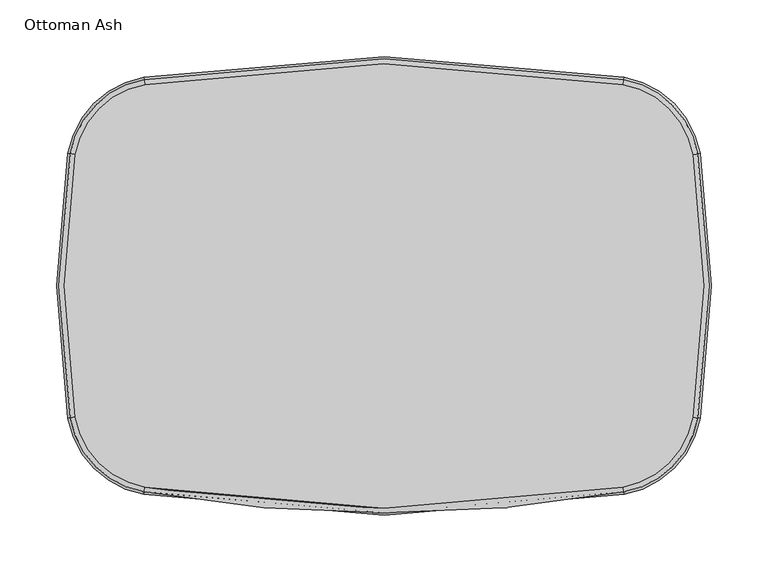
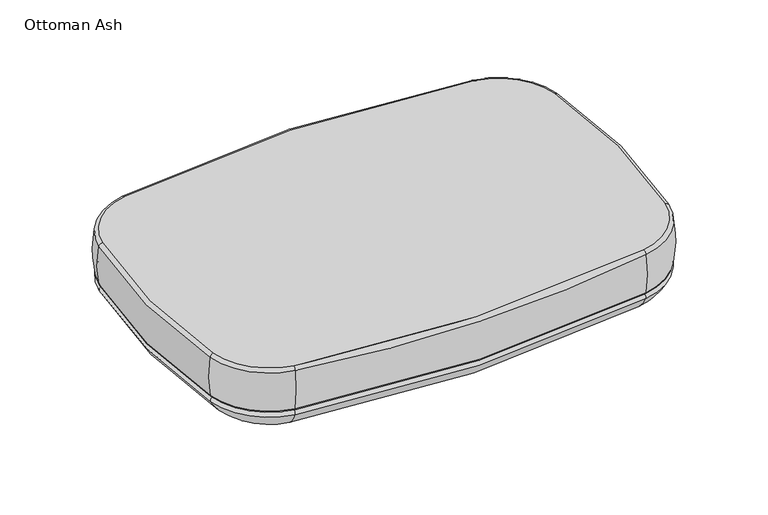
"""IFC4 building model written with IfcOpenShell, lengths in millimetres: furniture geometry, Ottoman Ash."""

from ifc_helpers import new_model, si_unit, point, frame, origin, place, context, project, spatial, circle_curve, ellipse_curve, trimmed, source, transform, mapped, element, save
from ifc_brep_helpers import plane_surface, revolved_surface, advanced_brep


def ottoman_ash_f78664d0(model_context):
    return source(origin(), model_context, "Body", "AdvancedBrep", [
        advanced_brep(
        [(276.9123996, 116.7540912, 269.8669249), (212.1619217, 181.6461387, 269.8669249), (211.6183203, 178.5541399, 274.6668665), (273.819221, 116.217244, 274.6668665), (251.1906192, 112.2898597, 243.276352), (207.6415246, 155.9341695, 243.276352), (273.819221, -116.217244, 274.6668665), (276.9123996, -116.7540912, 269.8669249), (251.1906192, -112.2898597, 243.276352), (211.6183203, -178.5541399, 274.6668665), (212.1619217, -181.6461387, 269.8669249), (207.6415246, -155.9341695, 243.276352), (-211.6183203, -178.5541399, 274.6668665), (-212.1619217, -181.6461387, 269.8669249), (-207.6415246, -155.9341695, 243.276352), (-273.819221, -116.217244, 274.6668665), (-276.9123996, -116.7540912, 269.8669249), (-251.1906192, -112.2898597, 243.276352), (-273.819221, 116.217244, 274.6668665), (-276.9123996, 116.7540912, 269.8669249), (-251.1906192, 112.2898597, 243.276352), (-211.6183203, 178.5541399, 274.6668665), (-212.1619217, 181.6461387, 269.8669249), (-207.6415246, 155.9341695, 243.276352), (-249.6107812, -112.0156655, 242.9255791), (-249.6107812, 112.0156655, 242.9255791), (-207.3638807, 154.3549341, 242.9255791), (207.3638807, 154.3549341, 242.9255791), (249.6107812, 112.0156655, 242.9255791), (249.6107812, -112.0156655, 242.9255791), (207.3638807, -154.3549341, 242.9255791), (-207.3638807, -154.3549341, 242.9255791)],
        [
            (0, 1, circle_curve(frame((198.356319, 103.1200222, 269.8669249), z_axis=(0.0, 0.0, 1.0), x_axis=(0.1731534397070965, 0.9848948605397435, 0.0)), 79.7304561)),
            (1, 2, circle_curve(frame((211.6183203, 178.5541399, 271.2402208), z_axis=(0.9848948605397436, -0.1731534397070956, 0.0), x_axis=(-0.1731534397070956, -0.9848948605397436, 0.0)), 3.4266457)),
            (2, 3, circle_curve(frame((198.356319, 103.1200222, 274.6668665), z_axis=(0.0, 0.0, -1.0), x_axis=(0.1731534397070965, 0.9848948605397435, 0.0)), 76.591036)),
            (3, 0, circle_curve(frame((273.819221, 116.217244, 271.2402208), z_axis=(-0.17100201922468425, 0.9852706782509467, 0.0), x_axis=(-0.9852706782509467, -0.17100201922468425, 0.0)), 3.4266457)),
            (0, 4, circle_curve(frame((229.652303, 108.5517037, 290.8492568), z_axis=(-0.17100201922468425, 0.9852706782509467, 0.0), x_axis=(-0.9852706782509467, -0.17100201922468425, 0.0)), 52.3550775)),
            (4, 5, circle_curve(frame((198.356319, 103.1200222, 243.276352), z_axis=(0.0, 0.0, 1.0), x_axis=(0.1731534397070965, 0.9848948605397435, 0.0)), 53.6241475)),
            (5, 1, circle_curve(frame((203.8563378, 134.4040688, 290.8492568), z_axis=(0.9848948605397436, -0.1731534397070956, 0.0), x_axis=(-0.1731534397070956, -0.9848948605397436, 0.0)), 52.3550775)),
            (3, 6, circle_curve(frame((-395.7953447, 0.0, 274.6668665), z_axis=(0.0, 0.0, -1.0), x_axis=(0.985270678250947, 0.17100201922468278, 0.0)), 679.6249808)),
            (6, 7, circle_curve(frame((273.819221, -116.217244, 271.2402208), z_axis=(0.1710020192246772, 0.9852706782509479, 0.0), x_axis=(-0.9852706782509479, 0.1710020192246772, 0.0)), 3.4266457)),
            (7, 0, circle_curve(frame((-395.7953447, 0.0, 269.8669249), z_axis=(0.0, 0.0, 1.0), x_axis=(0.985270678250947, 0.17100201922468278, 0.0)), 682.7644009)),
            (7, 8, circle_curve(frame((229.652303, -108.5517037, 290.8492568), z_axis=(0.171002019224677, 0.985270678250948, 0.0), x_axis=(-0.985270678250948, 0.171002019224677, 0.0)), 52.3550775)),
            (8, 4, circle_curve(frame((-395.7953447, 0.0, 243.276352), z_axis=(0.0, 0.0, 1.0), x_axis=(0.985270678250947, 0.17100201922468278, 0.0)), 656.6580923)),
            (6, 9, circle_curve(frame((198.356319, -103.1200222, 274.6668665), z_axis=(0.0, 0.0, -1.0), x_axis=(0.985270678250956, -0.171002019224631, 0.0)), 76.591036)),
            (9, 10, circle_curve(frame((211.6183203, -178.5541399, 271.2402208), z_axis=(0.9848948605397272, 0.17315343970718952, 0.0), x_axis=(-0.17315343970718952, 0.9848948605397272, 0.0)), 3.4266457)),
            (10, 7, circle_curve(frame((198.356319, -103.1200222, 269.8669249), z_axis=(0.0, 0.0, 1.0), x_axis=(0.985270678250956, -0.171002019224631, 0.0)), 79.7304561)),
            (10, 11, circle_curve(frame((203.8563378, -134.4040688, 290.8492568), z_axis=(0.9848948605397272, 0.1731534397071897, 0.0), x_axis=(-0.1731534397071897, 0.9848948605397272, 0.0)), 52.3550775)),
            (11, 8, circle_curve(frame((198.356319, -103.1200222, 243.276352), z_axis=(0.0, 0.0, 1.0), x_axis=(0.985270678250956, -0.171002019224631, 0.0)), 53.6241475)),
            (9, 12, circle_curve(frame((0.0, 1025.1285386, 274.6668665), z_axis=(0.0, 0.0, -1.0), x_axis=(0.1731534397071965, -0.984894860539726, 0.0)), 1222.1433238)),
            (12, 13, circle_curve(frame((-211.6183203, -178.5541399, 271.2402208), z_axis=(0.9848948605397319, -0.17315343970716285, 0.0), x_axis=(0.17315343970716285, 0.9848948605397319, 0.0)), 3.4266457)),
            (13, 10, circle_curve(frame((0.0, 1025.1285386, 269.8669249), z_axis=(0.0, 0.0, 1.0), x_axis=(0.1731534397071965, -0.984894860539726, 0.0)), 1225.282744)),
            (13, 14, circle_curve(frame((-203.8563378, -134.4040688, 290.8492568), z_axis=(0.9848948605397319, -0.17315343970716296, 0.0), x_axis=(0.17315343970716296, 0.9848948605397319, 0.0)), 52.3550775)),
            (14, 11, circle_curve(frame((0.0, 1025.1285386, 243.276352), z_axis=(0.0, 0.0, 1.0), x_axis=(0.1731534397071965, -0.984894860539726, 0.0)), 1199.1764354)),
            (12, 15, circle_curve(frame((-198.356319, -103.1200222, 274.6668665), z_axis=(0.0, 0.0, -1.0), x_axis=(-0.1731534397072541, -0.9848948605397159, 0.0)), 76.591036)),
            (15, 16, circle_curve(frame((-273.819221, -116.217244, 271.2402208), z_axis=(0.17100201922469785, -0.9852706782509444, 0.0), x_axis=(0.9852706782509444, 0.17100201922469785, 0.0)), 3.4266457)),
            (16, 13, circle_curve(frame((-198.356319, -103.1200222, 269.8669249), z_axis=(0.0, 0.0, 1.0), x_axis=(-0.1731534397072541, -0.9848948605397159, 0.0)), 79.7304561)),
            (16, 17, circle_curve(frame((-229.652303, -108.5517037, 290.8492568), z_axis=(0.1710020192246976, -0.9852706782509445, 0.0), x_axis=(0.9852706782509445, 0.1710020192246976, 0.0)), 52.3550775)),
            (17, 14, circle_curve(frame((-198.356319, -103.1200222, 243.276352), z_axis=(0.0, 0.0, 1.0), x_axis=(-0.1731534397072541, -0.9848948605397159, 0.0)), 53.6241475)),
            (15, 18, circle_curve(frame((395.7953447, 0.0, 274.6668665), z_axis=(0.0, 0.0, -1.0), x_axis=(-0.9852706782509445, -0.1710020192246972, 0.0)), 679.6249808)),
            (18, 19, circle_curve(frame((-273.819221, 116.217244, 271.2402208), z_axis=(-0.17100201922469432, -0.985270678250945, 0.0), x_axis=(0.985270678250945, -0.17100201922469432, 0.0)), 3.4266457)),
            (19, 16, circle_curve(frame((395.7953447, 0.0, 269.8669249), z_axis=(0.0, 0.0, 1.0), x_axis=(-0.9852706782509445, -0.1710020192246972, 0.0)), 682.7644009)),
            (19, 20, circle_curve(frame((-229.652303, 108.5517037, 290.8492568), z_axis=(-0.17100201922469419, -0.9852706782509452, 0.0), x_axis=(0.9852706782509452, -0.17100201922469419, 0.0)), 52.3550775)),
            (20, 17, circle_curve(frame((395.7953447, 0.0, 243.276352), z_axis=(0.0, 0.0, 1.0), x_axis=(-0.9852706782509445, -0.1710020192246972, 0.0)), 656.6580923)),
            (18, 21, circle_curve(frame((-198.356319, 103.1200222, 274.6668665), z_axis=(0.0, 0.0, -1.0), x_axis=(-0.9852706782509459, 0.17100201922468908, 0.0)), 76.591036)),
            (21, 22, circle_curve(frame((-211.6183203, 178.5541399, 271.2402208), z_axis=(-0.9848948605397124, -0.17315343970727365, 0.0), x_axis=(0.17315343970727365, -0.9848948605397124, 0.0)), 3.4266457)),
            (22, 19, circle_curve(frame((-198.356319, 103.1200222, 269.8669249), z_axis=(0.0, 0.0, 1.0), x_axis=(-0.9852706782509459, 0.17100201922468908, 0.0)), 79.7304561)),
            (22, 23, circle_curve(frame((-203.8563378, 134.4040688, 290.8492568), z_axis=(-0.9848948605397133, -0.17315343970726885, 0.0), x_axis=(0.17315343970726885, -0.9848948605397133, 0.0)), 52.3550775)),
            (23, 20, circle_curve(frame((-198.356319, 103.1200222, 243.276352), z_axis=(0.0, 0.0, 1.0), x_axis=(-0.9852706782509459, 0.17100201922468908, 0.0)), 53.6241475)),
            (2, 21, circle_curve(frame((0.0, -1025.1285386, 274.6668665), z_axis=(0.0, 0.0, 1.0), x_axis=(-0.17315343970716512, 0.9848948605397315, 0.0)), 1222.1433238)),
            (1, 22, circle_curve(frame((0.0, -1025.1285386, 269.8669249), z_axis=(0.0, 0.0, 1.0), x_axis=(-0.17315343970716512, 0.9848948605397315, 0.0)), 1225.282744)),
            (5, 23, circle_curve(frame((0.0, -1025.1285386, 243.276352), z_axis=(0.0, 0.0, 1.0), x_axis=(-0.17315343970716512, 0.9848948605397315, 0.0)), 1199.1764354)),
            (24, 25, circle_curve(frame((395.7953447, 0.0, 242.9255791), z_axis=(0.0, 0.0, -1.0), x_axis=(-0.9852706782509445, -0.1710020192246972, 0.0)), 655.0546364)),
            (25, 26, circle_curve(frame((-198.356319, 103.1200222, 242.9255791), z_axis=(0.0, 0.0, -1.0), x_axis=(-0.9852706782509459, 0.17100201922468908, 0.0)), 52.0206917)),
            (26, 27, circle_curve(frame((0.0, -1025.1285386, 242.9255791), z_axis=(0.0, 0.0, -1.0), x_axis=(-0.17315343970716512, 0.9848948605397315, 0.0)), 1197.5729795)),
            (27, 28, circle_curve(frame((198.356319, 103.1200222, 242.9255791), z_axis=(0.0, 0.0, -1.0), x_axis=(0.1731534397070965, 0.9848948605397435, 0.0)), 52.0206917)),
            (28, 29, circle_curve(frame((-395.7953447, 0.0, 242.9255791), z_axis=(0.0, 0.0, -1.0), x_axis=(0.985270678250947, 0.17100201922468278, 0.0)), 655.0546364)),
            (29, 30, circle_curve(frame((198.356319, -103.1200222, 242.9255791), z_axis=(0.0, 0.0, -1.0), x_axis=(0.985270678250956, -0.171002019224631, 0.0)), 52.0206917)),
            (30, 31, circle_curve(frame((0.0, 1025.1285386, 242.9255791), z_axis=(0.0, 0.0, -1.0), x_axis=(0.1731534397071965, -0.984894860539726, 0.0)), 1197.5729795)),
            (31, 24, circle_curve(frame((-198.356319, -103.1200222, 242.9255791), z_axis=(0.0, 0.0, -1.0), x_axis=(-0.1731534397072541, -0.9848948605397159, 0.0)), 52.0206917)),
            (4, 28, circle_curve(frame((249.6107812, 112.0156655, 246.7658303), z_axis=(-0.17100201922468466, 0.9852706782509467, 0.0), x_axis=(0.9852706782509467, 0.17100201922468466, 0.0)), 3.8402512)),
            (27, 5, circle_curve(frame((207.3638807, 154.3549341, 246.7658303), z_axis=(0.9848948605397436, -0.1731534397070956, 0.0), x_axis=(0.1731534397070956, 0.9848948605397436, 0.0)), 3.8402512)),
            (8, 29, circle_curve(frame((249.6107812, -112.0156655, 246.7658303), z_axis=(0.17100201922467886, 0.9852706782509477, 0.0), x_axis=(0.9852706782509477, -0.17100201922467886, 0.0)), 3.8402512)),
            (11, 30, circle_curve(frame((207.3638807, -154.3549341, 246.7658303), z_axis=(0.9848948605397276, 0.1731534397071867, 0.0), x_axis=(0.1731534397071867, -0.9848948605397276, 0.0)), 3.8402512)),
            (14, 31, circle_curve(frame((-207.3638807, -154.3549341, 246.7658303), z_axis=(0.9848948605397322, -0.17315343970716107, 0.0), x_axis=(-0.17315343970716107, -0.9848948605397322, 0.0)), 3.8402512)),
            (17, 24, circle_curve(frame((-249.6107812, -112.0156655, 246.7658303), z_axis=(0.17100201922469785, -0.9852706782509444, 0.0), x_axis=(-0.9852706782509444, -0.17100201922469785, 0.0)), 3.8402512)),
            (20, 25, circle_curve(frame((-249.6107812, 112.0156655, 246.7658303), z_axis=(-0.1710020192246945, -0.985270678250945, 0.0), x_axis=(-0.985270678250945, 0.1710020192246945, 0.0)), 3.8402512)),
            (23, 26, circle_curve(frame((-207.3638807, 154.3549341, 246.7658303), z_axis=(-0.9848948605397044, -0.1731534397073191, 0.0), x_axis=(-0.1731534397073191, 0.9848948605397044, 0.0)), 3.8402512)),
        ],
        [
            revolved_surface(trimmed(ellipse_curve(frame((211.6183203, 178.5541399, 271.2402208), z_axis=(-0.9848948605397436, 0.1731534397070956, 0.0), x_axis=(-0.1731534397070956, -0.9848948605397436, 0.0)), 3.4266457, 3.4266457), [point((211.6183203, 178.5541399, 274.6668665))], [point((212.1619217, 181.6461387, 269.8669249))], True, "CARTESIAN"), (198.356319, 103.1200222, 303.2506033), (0.0, 0.0, -1.0)),
            revolved_surface(trimmed(ellipse_curve(frame((203.8563378, 134.4040688, 290.8492568), z_axis=(-0.9848948605397436, 0.1731534397070956, 0.0), x_axis=(-0.1731534397070956, -0.9848948605397436, 0.0)), 52.3550775, 52.3550775), [point((212.1619217, 181.6461387, 269.8669249))], [point((207.6415246, 155.9341695, 243.276352))], True, "CARTESIAN"), (198.356319, 103.1200222, 303.2506033), (0.0, 0.0, -1.0)),
            revolved_surface(trimmed(ellipse_curve(frame((273.819221, 116.217244, 271.2402208), z_axis=(-0.1710020192246837, 0.9852706782509469, 0.0), x_axis=(-0.9852706782509469, -0.1710020192246837, 0.0)), 3.4266457, 3.4266457), [point((273.819221, 116.217244, 274.6668665))], [point((276.9123996, 116.7540912, 269.8669249))], True, "CARTESIAN"), (-395.7953447, 0.0, 303.2506033), (0.0, 0.0, -1.0)),
            revolved_surface(trimmed(ellipse_curve(frame((229.652303, 108.5517037, 290.8492568), z_axis=(-0.1710020192246837, 0.9852706782509469, 0.0), x_axis=(-0.9852706782509469, -0.1710020192246837, 0.0)), 52.3550775, 52.3550775), [point((276.9123996, 116.7540912, 269.8669249))], [point((251.1906192, 112.2898597, 243.276352))], True, "CARTESIAN"), (-395.7953447, 0.0, 303.2506033), (0.0, 0.0, -1.0)),
            revolved_surface(trimmed(ellipse_curve(frame((273.819221, -116.217244, 271.2402208), z_axis=(0.17100201922463013, 0.9852706782509562, 0.0), x_axis=(-0.9852706782509562, 0.17100201922463013, 0.0)), 3.4266457, 3.4266457), [point((273.819221, -116.217244, 274.6668665))], [point((276.9123996, -116.7540912, 269.8669249))], True, "CARTESIAN"), (198.356319, -103.1200222, 303.2506033), (0.0, 0.0, -1.0)),
            revolved_surface(trimmed(ellipse_curve(frame((229.652303, -108.5517037, 290.8492568), z_axis=(0.17100201922463013, 0.9852706782509562, 0.0), x_axis=(-0.9852706782509562, 0.17100201922463013, 0.0)), 52.3550775, 52.3550775), [point((276.9123996, -116.7540912, 269.8669249))], [point((251.1906192, -112.2898597, 243.276352))], True, "CARTESIAN"), (198.356319, -103.1200222, 303.2506033), (0.0, 0.0, -1.0)),
            revolved_surface(trimmed(ellipse_curve(frame((211.6183203, -178.5541399, 271.2402208), z_axis=(0.9848948605397259, 0.1731534397071974, 0.0), x_axis=(-0.1731534397071974, 0.9848948605397259, 0.0)), 3.4266457, 3.4266457), [point((211.6183203, -178.5541399, 274.6668665))], [point((212.1619217, -181.6461387, 269.8669249))], True, "CARTESIAN"), (0.0, 1025.1285386, 303.2506033), (0.0, 0.0, -1.0)),
            revolved_surface(trimmed(ellipse_curve(frame((203.8563378, -134.4040688, 290.8492568), z_axis=(0.9848948605397259, 0.1731534397071974, 0.0), x_axis=(-0.1731534397071974, 0.9848948605397259, 0.0)), 52.3550775, 52.3550775), [point((212.1619217, -181.6461387, 269.8669249))], [point((207.6415246, -155.9341695, 243.276352))], True, "CARTESIAN"), (0.0, 1025.1285386, 303.2506033), (0.0, 0.0, -1.0)),
            revolved_surface(trimmed(ellipse_curve(frame((-211.6183203, -178.5541399, 271.2402208), z_axis=(0.984894860539716, -0.17315343970725325, 0.0), x_axis=(0.17315343970725325, 0.984894860539716, 0.0)), 3.4266457, 3.4266457), [point((-211.6183203, -178.5541399, 274.6668665))], [point((-212.1619217, -181.6461387, 269.8669249))], True, "CARTESIAN"), (-198.356319, -103.1200222, 303.2506033), (0.0, 0.0, -1.0)),
            revolved_surface(trimmed(ellipse_curve(frame((-203.8563378, -134.4040688, 290.8492568), z_axis=(0.984894860539716, -0.17315343970725325, 0.0), x_axis=(0.17315343970725325, 0.984894860539716, 0.0)), 52.3550775, 52.3550775), [point((-212.1619217, -181.6461387, 269.8669249))], [point((-207.6415246, -155.9341695, 243.276352))], True, "CARTESIAN"), (-198.356319, -103.1200222, 303.2506033), (0.0, 0.0, -1.0)),
            revolved_surface(trimmed(ellipse_curve(frame((-273.819221, -116.217244, 271.2402208), z_axis=(0.1710020192246981, -0.9852706782509444, 0.0), x_axis=(0.9852706782509444, 0.1710020192246981, 0.0)), 3.4266457, 3.4266457), [point((-273.819221, -116.217244, 274.6668665))], [point((-276.9123996, -116.7540912, 269.8669249))], True, "CARTESIAN"), (395.7953447, 0.0, 303.2506033), (0.0, 0.0, -1.0)),
            revolved_surface(trimmed(ellipse_curve(frame((-229.652303, -108.5517037, 290.8492568), z_axis=(0.1710020192246981, -0.9852706782509444, 0.0), x_axis=(0.9852706782509444, 0.1710020192246981, 0.0)), 52.3550775, 52.3550775), [point((-276.9123996, -116.7540912, 269.8669249))], [point((-251.1906192, -112.2898597, 243.276352))], True, "CARTESIAN"), (395.7953447, 0.0, 303.2506033), (0.0, 0.0, -1.0)),
            revolved_surface(trimmed(ellipse_curve(frame((-273.819221, 116.217244, 271.2402208), z_axis=(-0.17100201922468816, -0.985270678250946, 0.0), x_axis=(0.985270678250946, -0.17100201922468816, 0.0)), 3.4266457, 3.4266457), [point((-273.819221, 116.217244, 274.6668665))], [point((-276.9123996, 116.7540912, 269.8669249))], True, "CARTESIAN"), (-198.356319, 103.1200222, 303.2506033), (0.0, 0.0, -1.0)),
            revolved_surface(trimmed(ellipse_curve(frame((-229.652303, 108.5517037, 290.8492568), z_axis=(-0.17100201922468816, -0.985270678250946, 0.0), x_axis=(0.985270678250946, -0.17100201922468816, 0.0)), 52.3550775, 52.3550775), [point((-276.9123996, 116.7540912, 269.8669249))], [point((-251.1906192, 112.2898597, 243.276352))], True, "CARTESIAN"), (-198.356319, 103.1200222, 303.2506033), (0.0, 0.0, -1.0)),
            plane_surface(frame((0.0, -1025.1285386, 274.6668665), z_axis=(0.0, 0.0, 1.0), x_axis=(-0.17315343970716512, 0.9848948605397315, 0.0))),
            revolved_surface(trimmed(ellipse_curve(frame((-211.6183203, 178.5541399, 271.2402208), z_axis=(-0.9848948605397314, -0.17315343970716604, 0.0), x_axis=(0.17315343970716604, -0.9848948605397314, 0.0)), 3.4266457, 3.4266457), [point((-211.6183203, 178.5541399, 274.6668665))], [point((-212.1619217, 181.6461387, 269.8669249))], True, "CARTESIAN"), (0.0, -1025.1285386, 303.2506033), (0.0, 0.0, -1.0)),
            revolved_surface(trimmed(ellipse_curve(frame((-203.8563378, 134.4040688, 290.8492568), z_axis=(-0.9848948605397314, -0.17315343970716604, 0.0), x_axis=(0.17315343970716604, -0.9848948605397314, 0.0)), 52.3550775, 52.3550775), [point((-212.1619217, 181.6461387, 269.8669249))], [point((-207.6415246, 155.9341695, 243.276352))], True, "CARTESIAN"), (0.0, -1025.1285386, 303.2506033), (0.0, 0.0, -1.0)),
            plane_surface(frame((0.0, -1025.1285386, 242.9255791), z_axis=(0.0, 0.0, -1.0), x_axis=(-0.17315343970716512, 0.9848948605397315, 0.0))),
            revolved_surface(trimmed(ellipse_curve(frame((207.3638807, 154.3549341, 246.7658303), z_axis=(-0.9848948605397436, 0.1731534397070956, 0.0), x_axis=(0.1731534397070956, 0.9848948605397436, 0.0)), 3.8402512, 3.8402512), [point((207.6415246, 155.9341695, 243.276352))], [point((207.3638807, 154.3549341, 242.9255791))], True, "CARTESIAN"), (198.356319, 103.1200222, 303.2506033), (0.0, 0.0, -1.0)),
            revolved_surface(trimmed(ellipse_curve(frame((249.6107812, 112.0156655, 246.7658303), z_axis=(-0.1710020192246837, 0.9852706782509469, 0.0), x_axis=(0.9852706782509469, 0.1710020192246837, 0.0)), 3.8402512, 3.8402512), [point((251.1906192, 112.2898597, 243.276352))], [point((249.6107812, 112.0156655, 242.9255791))], True, "CARTESIAN"), (-395.7953447, 0.0, 303.2506033), (0.0, 0.0, -1.0)),
            revolved_surface(trimmed(ellipse_curve(frame((249.6107812, -112.0156655, 246.7658303), z_axis=(0.17100201922463013, 0.9852706782509562, 0.0), x_axis=(0.9852706782509562, -0.17100201922463013, 0.0)), 3.8402512, 3.8402512), [point((251.1906192, -112.2898597, 243.276352))], [point((249.6107812, -112.0156655, 242.9255791))], True, "CARTESIAN"), (198.356319, -103.1200222, 303.2506033), (0.0, 0.0, -1.0)),
            revolved_surface(trimmed(ellipse_curve(frame((207.3638807, -154.3549341, 246.7658303), z_axis=(0.9848948605397259, 0.1731534397071974, 0.0), x_axis=(0.1731534397071974, -0.9848948605397259, 0.0)), 3.8402512, 3.8402512), [point((207.6415246, -155.9341695, 243.276352))], [point((207.3638807, -154.3549341, 242.9255791))], True, "CARTESIAN"), (0.0, 1025.1285386, 303.2506033), (0.0, 0.0, -1.0)),
            revolved_surface(trimmed(ellipse_curve(frame((-207.3638807, -154.3549341, 246.7658303), z_axis=(0.984894860539716, -0.17315343970725325, 0.0), x_axis=(-0.17315343970725325, -0.984894860539716, 0.0)), 3.8402512, 3.8402512), [point((-207.6415246, -155.9341695, 243.276352))], [point((-207.3638807, -154.3549341, 242.9255791))], True, "CARTESIAN"), (-198.356319, -103.1200222, 303.2506033), (0.0, 0.0, -1.0)),
            revolved_surface(trimmed(ellipse_curve(frame((-249.6107812, -112.0156655, 246.7658303), z_axis=(0.1710020192246981, -0.9852706782509444, 0.0), x_axis=(-0.9852706782509444, -0.1710020192246981, 0.0)), 3.8402512, 3.8402512), [point((-251.1906192, -112.2898597, 243.276352))], [point((-249.6107812, -112.0156655, 242.9255791))], True, "CARTESIAN"), (395.7953447, 0.0, 303.2506033), (0.0, 0.0, -1.0)),
            revolved_surface(trimmed(ellipse_curve(frame((-249.6107812, 112.0156655, 246.7658303), z_axis=(-0.17100201922468816, -0.985270678250946, 0.0), x_axis=(-0.985270678250946, 0.17100201922468816, 0.0)), 3.8402512, 3.8402512), [point((-251.1906192, 112.2898597, 243.276352))], [point((-249.6107812, 112.0156655, 242.9255791))], True, "CARTESIAN"), (-198.356319, 103.1200222, 303.2506033), (0.0, 0.0, -1.0)),
            revolved_surface(trimmed(ellipse_curve(frame((-207.3638807, 154.3549341, 246.7658303), z_axis=(-0.9848948605397314, -0.17315343970716604, 0.0), x_axis=(-0.17315343970716604, 0.9848948605397314, 0.0)), 3.8402512, 3.8402512), [point((-207.6415246, 155.9341695, 243.276352))], [point((-207.3638807, 154.3549341, 242.9255791))], True, "CARTESIAN"), (0.0, -1025.1285386, 303.2506033), (0.0, 0.0, -1.0)),
        ],
        [
            (0, [[1, 2, 3, 4]]),
            (1, [[-1, 5, 6, 7]]),
            (2, [[-4, 8, 9, 10]]),
            (3, [[-5, -10, 11, 12]]),
            (4, [[-9, 13, 14, 15]]),
            (5, [[-11, -15, 16, 17]]),
            (6, [[-14, 18, 19, 20]]),
            (7, [[-16, -20, 21, 22]]),
            (8, [[-19, 23, 24, 25]]),
            (9, [[-21, -25, 26, 27]]),
            (10, [[-24, 28, 29, 30]]),
            (11, [[-26, -30, 31, 32]]),
            (12, [[-29, 33, 34, 35]]),
            (13, [[-31, -35, 36, 37]]),
            (14, [[-3, 38, -33, -28, -23, -18, -13, -8]]),
            (15, [[-2, 39, -34, -38]]),
            (16, [[-7, 40, -36, -39]]),
            (17, [[41, 42, 43, 44, 45, 46, 47, 48]]),
            (18, [[-6, 49, -44, 50]]),
            (19, [[-12, 51, -45, -49]]),
            (20, [[-17, 52, -46, -51]]),
            (21, [[-22, 53, -47, -52]]),
            (22, [[-27, 54, -48, -53]]),
            (23, [[-32, 55, -41, -54]]),
            (24, [[-37, 56, -42, -55]]),
            (25, [[-40, -50, -43, -56]]),
        ],
    ),
        advanced_brep(
        [(273.749908, 116.2052142, 274.6668665), (211.6061391, 178.4848534, 274.6668665), (212.1844624, 181.7743498, 277.3809633), (277.0406596, 116.7763518, 277.3809633), (277.5556333, 116.8657298, 326.7725807), (212.2749649, 182.289127, 326.7725807), (211.5505247, 178.1685192, 330.2465584), (273.4334531, 116.1502908, 330.2465584), (277.0406596, -116.7763518, 277.3809633), (273.749908, -116.2052142, 274.6668665), (273.4334531, -116.1502908, 330.2465584), (277.5556333, -116.8657298, 326.7725807), (212.1844624, -181.7743498, 277.3809633), (211.6061391, -178.4848534, 274.6668665), (211.5505247, -178.1685192, 330.2465584), (212.2749649, -182.289127, 326.7725807), (-212.1844624, -181.7743498, 277.3809633), (-211.6061391, -178.4848534, 274.6668665), (-211.5505247, -178.1685192, 330.2465584), (-212.2749649, -182.289127, 326.7725807), (-277.0406596, -116.7763518, 277.3809633), (-273.749908, -116.2052142, 274.6668665), (-273.4334531, -116.1502908, 330.2465584), (-277.5556333, -116.8657298, 326.7725807), (-277.0406596, 116.7763518, 277.3809633), (-273.749908, 116.2052142, 274.6668665), (-273.4334531, 116.1502908, 330.2465584), (-277.5556333, 116.8657298, 326.7725807), (-212.1844624, 181.7743498, 277.3809633), (-211.6061391, 178.4848534, 274.6668665), (-211.5505247, 178.1685192, 330.2465584), (-212.2749649, 182.289127, 326.7725807)],
        [
            (0, 1, circle_curve(frame((198.356319, 103.1200222, 274.6668665), z_axis=(0.0, 0.0, 1.0), x_axis=(0.1731534397070965, 0.9848948605397435, 0.0)), 76.5206868)),
            (1, 2, circle_curve(frame((211.6061391, 178.4848534, 278.0789713), z_axis=(0.9848948605397436, -0.1731534397070956, 0.0), x_axis=(-0.1731534397070956, -0.9848948605397436, 0.0)), 3.4121048)),
            (2, 3, circle_curve(frame((198.356319, 103.1200222, 277.3809633), z_axis=(0.0, 0.0, -1.0), x_axis=(0.1731534397070965, 0.9848948605397435, 0.0)), 79.8606336)),
            (3, 0, circle_curve(frame((273.749908, 116.2052142, 278.0789713), z_axis=(-0.17100201922468425, 0.9852706782509467, 0.0), x_axis=(-0.9852706782509467, -0.17100201922468425, 0.0)), 3.4121048)),
            (4, 5, circle_curve(frame((198.356319, 103.1200222, 326.7725807), z_axis=(0.0, 0.0, 1.0), x_axis=(0.1731534397070965, 0.9848948605397435, 0.0)), 80.3833059)),
            (5, 6, circle_curve(frame((211.5505247, 178.1685192, 325.9902351), z_axis=(0.9848948605397436, -0.1731534397070956, 0.0), x_axis=(0.1731534397070956, 0.9848948605397436, 0.0)), 4.2563232)),
            (6, 7, circle_curve(frame((198.356319, 103.1200222, 330.2465584), z_axis=(0.0, 0.0, -1.0), x_axis=(0.1731534397070965, 0.9848948605397435, 0.0)), 76.199501)),
            (7, 4, circle_curve(frame((273.4334531, 116.1502908, 325.9902351), z_axis=(-0.17100201922468425, 0.9852706782509467, 0.0), x_axis=(0.9852706782509467, 0.17100201922468425, 0.0)), 4.2563232)),
            (2, 5, circle_curve(frame((190.6294058, 59.1694246, 303.3968666), z_axis=(0.9848948605397436, -0.1731534397070956, 0.0), x_axis=(-0.1731534397070956, -0.9848948605397436, 0.0)), 127.1747434)),
            (4, 3, circle_curve(frame((154.3889507, 95.4891154, 303.3968666), z_axis=(-0.171002019224684, 0.9852706782509468, 0.0), x_axis=(-0.9852706782509468, -0.171002019224684, 0.0)), 127.1747434)),
            (3, 8, circle_curve(frame((-395.7953447, 0.0, 277.3809633), z_axis=(0.0, 0.0, -1.0), x_axis=(0.985270678250947, 0.17100201922468278, 0.0)), 682.8945783)),
            (8, 9, circle_curve(frame((273.749908, -116.2052142, 278.0789713), z_axis=(0.17100201922467695, 0.985270678250948, 0.0), x_axis=(-0.985270678250948, 0.17100201922467695, 0.0)), 3.4121048)),
            (9, 0, circle_curve(frame((-395.7953447, 0.0, 274.6668665), z_axis=(0.0, 0.0, 1.0), x_axis=(0.985270678250947, 0.17100201922468278, 0.0)), 679.5546316)),
            (7, 10, circle_curve(frame((-395.7953447, 0.0, 330.2465584), z_axis=(0.0, 0.0, -1.0), x_axis=(0.985270678250947, 0.17100201922468278, 0.0)), 679.2334458)),
            (10, 11, circle_curve(frame((273.4334531, -116.1502908, 325.9902351), z_axis=(0.1710020192246772, 0.9852706782509479, 0.0), x_axis=(0.9852706782509479, -0.1710020192246772, 0.0)), 4.2563232)),
            (11, 4, circle_curve(frame((-395.7953447, 0.0, 326.7725807), z_axis=(0.0, 0.0, 1.0), x_axis=(0.985270678250947, 0.17100201922468278, 0.0)), 683.4172506)),
            (11, 8, circle_curve(frame((154.3889507, -95.4891154, 303.3968666), z_axis=(0.1710020192246769, 0.985270678250948, 0.0), x_axis=(-0.985270678250948, 0.1710020192246769, 0.0)), 127.1747434)),
            (8, 12, circle_curve(frame((198.356319, -103.1200222, 277.3809633), z_axis=(0.0, 0.0, -1.0), x_axis=(0.985270678250956, -0.171002019224631, 0.0)), 79.8606336)),
            (12, 13, circle_curve(frame((211.6061391, -178.4848534, 278.0789713), z_axis=(0.9848948605397272, 0.1731534397071897, 0.0), x_axis=(-0.1731534397071897, 0.9848948605397272, 0.0)), 3.4121048)),
            (13, 9, circle_curve(frame((198.356319, -103.1200222, 274.6668665), z_axis=(0.0, 0.0, 1.0), x_axis=(0.985270678250956, -0.171002019224631, 0.0)), 76.5206868)),
            (10, 14, circle_curve(frame((198.356319, -103.1200222, 330.2465584), z_axis=(0.0, 0.0, -1.0), x_axis=(0.985270678250956, -0.171002019224631, 0.0)), 76.199501)),
            (14, 15, circle_curve(frame((211.5505247, -178.1685192, 325.9902351), z_axis=(0.9848948605397274, 0.17315343970718838, 0.0), x_axis=(0.17315343970718838, -0.9848948605397274, 0.0)), 4.2563232)),
            (15, 11, circle_curve(frame((198.356319, -103.1200222, 326.7725807), z_axis=(0.0, 0.0, 1.0), x_axis=(0.985270678250956, -0.171002019224631, 0.0)), 80.3833059)),
            (15, 12, circle_curve(frame((190.6294058, -59.1694246, 303.3968666), z_axis=(0.9848948605397272, 0.17315343970718883, 0.0), x_axis=(-0.17315343970718883, 0.9848948605397272, 0.0)), 127.1747434)),
            (12, 16, circle_curve(frame((0.0, 1025.1285386, 277.3809633), z_axis=(0.0, 0.0, -1.0), x_axis=(0.1731534397071965, -0.984894860539726, 0.0)), 1225.4129214)),
            (16, 17, circle_curve(frame((-211.6061391, -178.4848534, 278.0789713), z_axis=(0.9848948605397319, -0.17315343970716301, 0.0), x_axis=(0.17315343970716301, 0.9848948605397319, 0.0)), 3.4121048)),
            (17, 13, circle_curve(frame((0.0, 1025.1285386, 274.6668665), z_axis=(0.0, 0.0, 1.0), x_axis=(0.1731534397071965, -0.984894860539726, 0.0)), 1222.0729747)),
            (14, 18, circle_curve(frame((0.0, 1025.1285386, 330.2465584), z_axis=(0.0, 0.0, -1.0), x_axis=(0.1731534397071965, -0.984894860539726, 0.0)), 1221.7517889)),
            (18, 19, circle_curve(frame((-211.5505247, -178.1685192, 325.9902351), z_axis=(0.9848948605397319, -0.17315343970716285, 0.0), x_axis=(-0.17315343970716285, -0.9848948605397319, 0.0)), 4.2563232)),
            (19, 15, circle_curve(frame((0.0, 1025.1285386, 326.7725807), z_axis=(0.0, 0.0, 1.0), x_axis=(0.1731534397071965, -0.984894860539726, 0.0)), 1225.9355937)),
            (19, 16, circle_curve(frame((-190.6294058, -59.1694246, 303.3968666), z_axis=(0.9848948605397319, -0.17315343970716307, 0.0), x_axis=(0.17315343970716307, 0.9848948605397319, 0.0)), 127.1747434)),
            (16, 20, circle_curve(frame((-198.356319, -103.1200222, 277.3809633), z_axis=(0.0, 0.0, -1.0), x_axis=(-0.1731534397072541, -0.9848948605397159, 0.0)), 79.8606336)),
            (20, 21, circle_curve(frame((-273.749908, -116.2052142, 278.0789713), z_axis=(0.17100201922469785, -0.9852706782509444, 0.0), x_axis=(0.9852706782509444, 0.17100201922469785, 0.0)), 3.4121048)),
            (21, 17, circle_curve(frame((-198.356319, -103.1200222, 274.6668665), z_axis=(0.0, 0.0, 1.0), x_axis=(-0.1731534397072541, -0.9848948605397159, 0.0)), 76.5206868)),
            (18, 22, circle_curve(frame((-198.356319, -103.1200222, 330.2465584), z_axis=(0.0, 0.0, -1.0), x_axis=(-0.1731534397072541, -0.9848948605397159, 0.0)), 76.199501)),
            (22, 23, circle_curve(frame((-273.4334531, -116.1502908, 325.9902351), z_axis=(0.1710020192246976, -0.9852706782509445, 0.0), x_axis=(-0.9852706782509445, -0.1710020192246976, 0.0)), 4.2563232)),
            (23, 19, circle_curve(frame((-198.356319, -103.1200222, 326.7725807), z_axis=(0.0, 0.0, 1.0), x_axis=(-0.1731534397072541, -0.9848948605397159, 0.0)), 80.3833059)),
            (23, 20, circle_curve(frame((-154.3889507, -95.4891154, 303.3968666), z_axis=(0.1710020192246981, -0.9852706782509444, 0.0), x_axis=(0.9852706782509444, 0.1710020192246981, 0.0)), 127.1747434)),
            (20, 24, circle_curve(frame((395.7953447, 0.0, 277.3809633), z_axis=(0.0, 0.0, -1.0), x_axis=(-0.9852706782509445, -0.1710020192246972, 0.0)), 682.8945783)),
            (24, 25, circle_curve(frame((-273.749908, 116.2052142, 278.0789713), z_axis=(-0.17100201922469424, -0.9852706782509452, 0.0), x_axis=(0.9852706782509452, -0.17100201922469424, 0.0)), 3.4121048)),
            (25, 21, circle_curve(frame((395.7953447, 0.0, 274.6668665), z_axis=(0.0, 0.0, 1.0), x_axis=(-0.9852706782509445, -0.1710020192246972, 0.0)), 679.5546316)),
            (22, 26, circle_curve(frame((395.7953447, 0.0, 330.2465584), z_axis=(0.0, 0.0, -1.0), x_axis=(-0.9852706782509445, -0.1710020192246972, 0.0)), 679.2334458)),
            (26, 27, circle_curve(frame((-273.4334531, 116.1502908, 325.9902351), z_axis=(-0.17100201922469424, -0.9852706782509452, 0.0), x_axis=(-0.9852706782509452, 0.17100201922469424, 0.0)), 4.2563232)),
            (27, 23, circle_curve(frame((395.7953447, 0.0, 326.7725807), z_axis=(0.0, 0.0, 1.0), x_axis=(-0.9852706782509445, -0.1710020192246972, 0.0)), 683.4172506)),
            (27, 24, circle_curve(frame((-154.3889507, 95.4891154, 303.3968666), z_axis=(-0.17100201922469424, -0.9852706782509452, 0.0), x_axis=(0.9852706782509452, -0.17100201922469424, 0.0)), 127.1747434)),
            (24, 28, circle_curve(frame((-198.356319, 103.1200222, 277.3809633), z_axis=(0.0, 0.0, -1.0), x_axis=(-0.9852706782509459, 0.17100201922468908, 0.0)), 79.8606336)),
            (28, 29, circle_curve(frame((-211.6061391, 178.4848534, 278.0789713), z_axis=(-0.9848948605397132, -0.1731534397072691, 0.0), x_axis=(0.1731534397072691, -0.9848948605397132, 0.0)), 3.4121048)),
            (29, 25, circle_curve(frame((-198.356319, 103.1200222, 274.6668665), z_axis=(0.0, 0.0, 1.0), x_axis=(-0.9852706782509459, 0.17100201922468908, 0.0)), 76.5206868)),
            (26, 30, circle_curve(frame((-198.356319, 103.1200222, 330.2465584), z_axis=(0.0, 0.0, -1.0), x_axis=(-0.9852706782509459, 0.17100201922468908, 0.0)), 76.199501)),
            (30, 31, circle_curve(frame((-211.5505247, 178.1685192, 325.9902351), z_axis=(-0.9848948605397123, -0.17315343970727382, 0.0), x_axis=(-0.17315343970727382, 0.9848948605397123, 0.0)), 4.2563232)),
            (31, 27, circle_curve(frame((-198.356319, 103.1200222, 326.7725807), z_axis=(0.0, 0.0, 1.0), x_axis=(-0.9852706782509459, 0.17100201922468908, 0.0)), 80.3833059)),
            (31, 28, circle_curve(frame((-190.6294058, 59.1694246, 303.3968666), z_axis=(-0.9848948605397134, -0.17315343970726815, 0.0), x_axis=(0.17315343970726815, -0.9848948605397134, 0.0)), 127.1747434)),
            (1, 29, circle_curve(frame((0.0, -1025.1285386, 274.6668665), z_axis=(0.0, 0.0, 1.0), x_axis=(-0.17315343970716512, 0.9848948605397315, 0.0)), 1222.0729747)),
            (28, 2, circle_curve(frame((0.0, -1025.1285386, 277.3809633), z_axis=(0.0, 0.0, -1.0), x_axis=(-0.17315343970716512, 0.9848948605397315, 0.0)), 1225.4129214)),
            (6, 30, circle_curve(frame((0.0, -1025.1285386, 330.2465584), z_axis=(0.0, 0.0, 1.0), x_axis=(-0.17315343970716512, 0.9848948605397315, 0.0)), 1221.7517889)),
            (5, 31, circle_curve(frame((0.0, -1025.1285386, 326.7725807), z_axis=(0.0, 0.0, 1.0), x_axis=(-0.17315343970716512, 0.9848948605397315, 0.0)), 1225.9355937)),
        ],
        [
            revolved_surface(trimmed(ellipse_curve(frame((211.6061391, 178.4848534, 278.0789713), z_axis=(-0.9848948605397436, 0.1731534397070956, 0.0), x_axis=(-0.1731534397070956, -0.9848948605397436, 0.0)), 3.4121048, 3.4121048), [point((212.1844624, 181.7743498, 277.3809633))], [point((211.6061391, 178.4848534, 274.6668665))], True, "CARTESIAN"), (198.356319, 103.1200222, 303.2506033), (0.0, 0.0, -1.0)),
            revolved_surface(trimmed(ellipse_curve(frame((211.5505247, 178.1685192, 325.9902351), z_axis=(-0.9848948605397436, 0.1731534397070956, 0.0), x_axis=(0.1731534397070956, 0.9848948605397436, 0.0)), 4.2563232, 4.2563232), [point((211.5505247, 178.1685192, 330.2465584))], [point((212.2749649, 182.289127, 326.7725807))], True, "CARTESIAN"), (198.356319, 103.1200222, 303.2506033), (0.0, 0.0, -1.0)),
            revolved_surface(trimmed(ellipse_curve(frame((190.6294058, 59.1694246, 303.3968666), z_axis=(-0.9848948605397436, 0.1731534397070956, 0.0), x_axis=(-0.1731534397070956, -0.9848948605397436, 0.0)), 127.1747434, 127.1747434), [point((212.2749649, 182.289127, 326.7725807))], [point((212.1844624, 181.7743498, 277.3809633))], True, "CARTESIAN"), (198.356319, 103.1200222, 303.2506033), (0.0, 0.0, -1.0)),
            revolved_surface(trimmed(ellipse_curve(frame((273.749908, 116.2052142, 278.0789713), z_axis=(-0.1710020192246837, 0.9852706782509469, 0.0), x_axis=(-0.9852706782509469, -0.1710020192246837, 0.0)), 3.4121048, 3.4121048), [point((277.0406596, 116.7763518, 277.3809633))], [point((273.749908, 116.2052142, 274.6668665))], True, "CARTESIAN"), (-395.7953447, 0.0, 303.2506033), (0.0, 0.0, -1.0)),
            revolved_surface(trimmed(ellipse_curve(frame((273.4334531, 116.1502908, 325.9902351), z_axis=(-0.1710020192246837, 0.9852706782509469, 0.0), x_axis=(0.9852706782509469, 0.1710020192246837, 0.0)), 4.2563232, 4.2563232), [point((273.4334531, 116.1502908, 330.2465584))], [point((277.5556333, 116.8657298, 326.7725807))], True, "CARTESIAN"), (-395.7953447, 0.0, 303.2506033), (0.0, 0.0, -1.0)),
            revolved_surface(trimmed(ellipse_curve(frame((154.3889507, 95.4891154, 303.3968666), z_axis=(-0.1710020192246837, 0.9852706782509469, 0.0), x_axis=(-0.9852706782509469, -0.1710020192246837, 0.0)), 127.1747434, 127.1747434), [point((277.5556333, 116.8657298, 326.7725807))], [point((277.0406596, 116.7763518, 277.3809633))], True, "CARTESIAN"), (-395.7953447, 0.0, 303.2506033), (0.0, 0.0, -1.0)),
            revolved_surface(trimmed(ellipse_curve(frame((273.749908, -116.2052142, 278.0789713), z_axis=(0.17100201922463013, 0.9852706782509562, 0.0), x_axis=(-0.9852706782509562, 0.17100201922463013, 0.0)), 3.4121048, 3.4121048), [point((277.0406596, -116.7763518, 277.3809633))], [point((273.749908, -116.2052142, 274.6668665))], True, "CARTESIAN"), (198.356319, -103.1200222, 303.2506033), (0.0, 0.0, -1.0)),
            revolved_surface(trimmed(ellipse_curve(frame((273.4334531, -116.1502908, 325.9902351), z_axis=(0.17100201922463013, 0.9852706782509562, 0.0), x_axis=(0.9852706782509562, -0.17100201922463013, 0.0)), 4.2563232, 4.2563232), [point((273.4334531, -116.1502908, 330.2465584))], [point((277.5556333, -116.8657298, 326.7725807))], True, "CARTESIAN"), (198.356319, -103.1200222, 303.2506033), (0.0, 0.0, -1.0)),
            revolved_surface(trimmed(ellipse_curve(frame((154.3889507, -95.4891154, 303.3968666), z_axis=(0.17100201922463013, 0.9852706782509562, 0.0), x_axis=(-0.9852706782509562, 0.17100201922463013, 0.0)), 127.1747434, 127.1747434), [point((277.5556333, -116.8657298, 326.7725807))], [point((277.0406596, -116.7763518, 277.3809633))], True, "CARTESIAN"), (198.356319, -103.1200222, 303.2506033), (0.0, 0.0, -1.0)),
            revolved_surface(trimmed(ellipse_curve(frame((211.6061391, -178.4848534, 278.0789713), z_axis=(0.9848948605397259, 0.1731534397071974, 0.0), x_axis=(-0.1731534397071974, 0.9848948605397259, 0.0)), 3.4121048, 3.4121048), [point((212.1844624, -181.7743498, 277.3809633))], [point((211.6061391, -178.4848534, 274.6668665))], True, "CARTESIAN"), (0.0, 1025.1285386, 303.2506033), (0.0, 0.0, -1.0)),
            revolved_surface(trimmed(ellipse_curve(frame((211.5505247, -178.1685192, 325.9902351), z_axis=(0.9848948605397259, 0.1731534397071974, 0.0), x_axis=(0.1731534397071974, -0.9848948605397259, 0.0)), 4.2563232, 4.2563232), [point((211.5505247, -178.1685192, 330.2465584))], [point((212.2749649, -182.289127, 326.7725807))], True, "CARTESIAN"), (0.0, 1025.1285386, 303.2506033), (0.0, 0.0, -1.0)),
            revolved_surface(trimmed(ellipse_curve(frame((190.6294058, -59.1694246, 303.3968666), z_axis=(0.9848948605397259, 0.1731534397071974, 0.0), x_axis=(-0.1731534397071974, 0.9848948605397259, 0.0)), 127.1747434, 127.1747434), [point((212.2749649, -182.289127, 326.7725807))], [point((212.1844624, -181.7743498, 277.3809633))], True, "CARTESIAN"), (0.0, 1025.1285386, 303.2506033), (0.0, 0.0, -1.0)),
            revolved_surface(trimmed(ellipse_curve(frame((-211.6061391, -178.4848534, 278.0789713), z_axis=(0.984894860539716, -0.17315343970725325, 0.0), x_axis=(0.17315343970725325, 0.984894860539716, 0.0)), 3.4121048, 3.4121048), [point((-212.1844624, -181.7743498, 277.3809633))], [point((-211.6061391, -178.4848534, 274.6668665))], True, "CARTESIAN"), (-198.356319, -103.1200222, 303.2506033), (0.0, 0.0, -1.0)),
            revolved_surface(trimmed(ellipse_curve(frame((-211.5505247, -178.1685192, 325.9902351), z_axis=(0.984894860539716, -0.17315343970725325, 0.0), x_axis=(-0.17315343970725325, -0.984894860539716, 0.0)), 4.2563232, 4.2563232), [point((-211.5505247, -178.1685192, 330.2465584))], [point((-212.2749649, -182.289127, 326.7725807))], True, "CARTESIAN"), (-198.356319, -103.1200222, 303.2506033), (0.0, 0.0, -1.0)),
            revolved_surface(trimmed(ellipse_curve(frame((-190.6294058, -59.1694246, 303.3968666), z_axis=(0.984894860539716, -0.17315343970725325, 0.0), x_axis=(0.17315343970725325, 0.984894860539716, 0.0)), 127.1747434, 127.1747434), [point((-212.2749649, -182.289127, 326.7725807))], [point((-212.1844624, -181.7743498, 277.3809633))], True, "CARTESIAN"), (-198.356319, -103.1200222, 303.2506033), (0.0, 0.0, -1.0)),
            revolved_surface(trimmed(ellipse_curve(frame((-273.749908, -116.2052142, 278.0789713), z_axis=(0.1710020192246981, -0.9852706782509444, 0.0), x_axis=(0.9852706782509444, 0.1710020192246981, 0.0)), 3.4121048, 3.4121048), [point((-277.0406596, -116.7763518, 277.3809633))], [point((-273.749908, -116.2052142, 274.6668665))], True, "CARTESIAN"), (395.7953447, 0.0, 303.2506033), (0.0, 0.0, -1.0)),
            revolved_surface(trimmed(ellipse_curve(frame((-273.4334531, -116.1502908, 325.9902351), z_axis=(0.1710020192246981, -0.9852706782509444, 0.0), x_axis=(-0.9852706782509444, -0.1710020192246981, 0.0)), 4.2563232, 4.2563232), [point((-273.4334531, -116.1502908, 330.2465584))], [point((-277.5556333, -116.8657298, 326.7725807))], True, "CARTESIAN"), (395.7953447, 0.0, 303.2506033), (0.0, 0.0, -1.0)),
            revolved_surface(trimmed(ellipse_curve(frame((-154.3889507, -95.4891154, 303.3968666), z_axis=(0.1710020192246981, -0.9852706782509444, 0.0), x_axis=(0.9852706782509444, 0.1710020192246981, 0.0)), 127.1747434, 127.1747434), [point((-277.5556333, -116.8657298, 326.7725807))], [point((-277.0406596, -116.7763518, 277.3809633))], True, "CARTESIAN"), (395.7953447, 0.0, 303.2506033), (0.0, 0.0, -1.0)),
            revolved_surface(trimmed(ellipse_curve(frame((-273.749908, 116.2052142, 278.0789713), z_axis=(-0.17100201922468816, -0.985270678250946, 0.0), x_axis=(0.985270678250946, -0.17100201922468816, 0.0)), 3.4121048, 3.4121048), [point((-277.0406596, 116.7763518, 277.3809633))], [point((-273.749908, 116.2052142, 274.6668665))], True, "CARTESIAN"), (-198.356319, 103.1200222, 303.2506033), (0.0, 0.0, -1.0)),
            revolved_surface(trimmed(ellipse_curve(frame((-273.4334531, 116.1502908, 325.9902351), z_axis=(-0.17100201922468816, -0.985270678250946, 0.0), x_axis=(-0.985270678250946, 0.17100201922468816, 0.0)), 4.2563232, 4.2563232), [point((-273.4334531, 116.1502908, 330.2465584))], [point((-277.5556333, 116.8657298, 326.7725807))], True, "CARTESIAN"), (-198.356319, 103.1200222, 303.2506033), (0.0, 0.0, -1.0)),
            revolved_surface(trimmed(ellipse_curve(frame((-154.3889507, 95.4891154, 303.3968666), z_axis=(-0.17100201922468816, -0.985270678250946, 0.0), x_axis=(0.985270678250946, -0.17100201922468816, 0.0)), 127.1747434, 127.1747434), [point((-277.5556333, 116.8657298, 326.7725807))], [point((-277.0406596, 116.7763518, 277.3809633))], True, "CARTESIAN"), (-198.356319, 103.1200222, 303.2506033), (0.0, 0.0, -1.0)),
            revolved_surface(trimmed(ellipse_curve(frame((-211.6061391, 178.4848534, 278.0789713), z_axis=(-0.9848948605397314, -0.17315343970716604, 0.0), x_axis=(0.17315343970716604, -0.9848948605397314, 0.0)), 3.4121048, 3.4121048), [point((-212.1844624, 181.7743498, 277.3809633))], [point((-211.6061391, 178.4848534, 274.6668665))], True, "CARTESIAN"), (0.0, -1025.1285386, 303.2506033), (0.0, 0.0, -1.0)),
            plane_surface(frame((0.0, -1025.1285386, 274.6668665), z_axis=(0.0, 0.0, -1.0), x_axis=(-0.17315343970716512, 0.9848948605397315, 0.0))),
            plane_surface(frame((0.0, -1025.1285386, 330.2465584), z_axis=(0.0, 0.0, 1.0), x_axis=(-0.17315343970716512, 0.9848948605397315, 0.0))),
            revolved_surface(trimmed(ellipse_curve(frame((-211.5505247, 178.1685192, 325.9902351), z_axis=(-0.9848948605397314, -0.17315343970716604, 0.0), x_axis=(-0.17315343970716604, 0.9848948605397314, 0.0)), 4.2563232, 4.2563232), [point((-211.5505247, 178.1685192, 330.2465584))], [point((-212.2749649, 182.289127, 326.7725807))], True, "CARTESIAN"), (0.0, -1025.1285386, 303.2506033), (0.0, 0.0, -1.0)),
            revolved_surface(trimmed(ellipse_curve(frame((-190.6294058, 59.1694246, 303.3968666), z_axis=(-0.9848948605397314, -0.17315343970716604, 0.0), x_axis=(0.17315343970716604, -0.9848948605397314, 0.0)), 127.1747434, 127.1747434), [point((-212.2749649, 182.289127, 326.7725807))], [point((-212.1844624, 181.7743498, 277.3809633))], True, "CARTESIAN"), (0.0, -1025.1285386, 303.2506033), (0.0, 0.0, -1.0)),
        ],
        [
            (0, [[1, 2, 3, 4]]),
            (1, [[5, 6, 7, 8]]),
            (2, [[-3, 9, -5, 10]]),
            (3, [[-4, 11, 12, 13]]),
            (4, [[-8, 14, 15, 16]]),
            (5, [[-10, -16, 17, -11]]),
            (6, [[-12, 18, 19, 20]]),
            (7, [[-15, 21, 22, 23]]),
            (8, [[-17, -23, 24, -18]]),
            (9, [[-19, 25, 26, 27]]),
            (10, [[-22, 28, 29, 30]]),
            (11, [[-24, -30, 31, -25]]),
            (12, [[-26, 32, 33, 34]]),
            (13, [[-29, 35, 36, 37]]),
            (14, [[-31, -37, 38, -32]]),
            (15, [[-33, 39, 40, 41]]),
            (16, [[-36, 42, 43, 44]]),
            (17, [[-38, -44, 45, -39]]),
            (18, [[-40, 46, 47, 48]]),
            (19, [[-43, 49, 50, 51]]),
            (20, [[-45, -51, 52, -46]]),
            (21, [[-2, 53, -47, 54]]),
            (22, [[-1, -13, -20, -27, -34, -41, -48, -53]]),
            (23, [[-7, 55, -49, -42, -35, -28, -21, -14]]),
            (24, [[-6, 56, -50, -55]]),
            (25, [[-9, -54, -52, -56]]),
        ],
    ),
    ])


if __name__ == "__main__":
    model = new_model("IFC4")
    model_context = context("Model", 3, world=origin())
    ifc_project = project(units=[si_unit("LENGTHUNIT", "METRE", prefix="MILLI")], contexts=[model_context])
    site = spatial("IfcSite", under=ifc_project)
    building = spatial("IfcBuilding", under=site)
    placement = place(None, origin())
    ottoman_ash_shape = ottoman_ash_f78664d0(model_context)
    element("IfcFurniture", 1, ObjectType="Ottoman Ash", at=placement, inside=building, context=model_context, shape_type="MappedRepresentation", body=[
        mapped(ottoman_ash_shape, transform((0.0, 0.0, 0.0), x_axis=(1.0, 0.0, 0.0), y_axis=(0.0, 1.0, 0.0), z_axis=(0.0, 0.0, 1.0))),
    ])
    save(model, "model.ifc")
